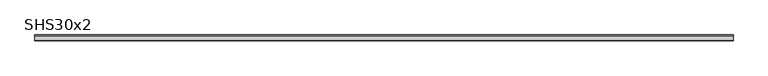
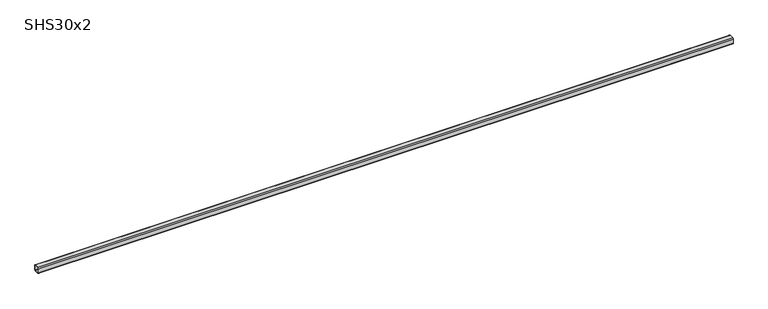
"""IFC4 building model written with IfcOpenShell, lengths in millimetres: beam geometry, SHS30x2."""

from ifc_helpers import new_model, si_unit, point, frame, frame_2d, origin, place, context, project, spatial, polyline, circle_curve, trimmed, segment, composite_curve, outline, extrude, source, transform, mapped, element, save


def shs30x2_d352c56b(model_context):
    return source(origin(), model_context, "Body", "SweptSolid", [
        extrude(outline(composite_curve([segment(polyline([(15.0, 11.0), (15.0, -11.0)]), True, "CONTINUOUS"), segment(trimmed(circle_curve(frame_2d((11.0, -11.0)), 4.0), [point((15.0, -11.0))], [point((11.0, -15.0))], False, "CARTESIAN"), True, "CONTINUOUS"), segment(polyline([(11.0, -15.0), (-11.0, -15.0)]), True, "CONTINUOUS"), segment(trimmed(circle_curve(frame_2d((-11.0, -11.0)), 4.0), [point((-11.0, -15.0))], [point((-15.0, -11.0))], False, "CARTESIAN"), True, "CONTINUOUS"), segment(polyline([(-15.0, -11.0), (-15.0, 11.0)]), True, "CONTINUOUS"), segment(trimmed(circle_curve(frame_2d((-11.0, 11.0)), 4.0), [point((-15.0, 11.0))], [point((-11.0, 15.0))], False, "CARTESIAN"), True, "CONTINUOUS"), segment(polyline([(-11.0, 15.0), (11.0, 15.0)]), True, "CONTINUOUS"), segment(trimmed(circle_curve(frame_2d((11.0, 11.0)), 4.0), [point((11.0, 15.0))], [point((15.0, 11.0))], False, "CARTESIAN"), True, "CONTINUOUS")], self_intersect=False), holes=[composite_curve([segment(trimmed(circle_curve(frame_2d((-11.0, 11.0)), 2.0), [point((-11.0, 13.0))], [point((-13.0, 11.0))], True, "CARTESIAN"), True, "CONTINUOUS"), segment(polyline([(-13.0, 11.0), (-13.0, -11.0)]), True, "CONTINUOUS"), segment(trimmed(circle_curve(frame_2d((-11.0, -11.0)), 2.0), [point((-13.0, -11.0))], [point((-11.0, -13.0))], True, "CARTESIAN"), True, "CONTINUOUS"), segment(polyline([(-11.0, -13.0), (11.0, -13.0)]), True, "CONTINUOUS"), segment(trimmed(circle_curve(frame_2d((11.0, -11.0)), 2.0), [point((11.0, -13.0))], [point((13.0, -11.0))], True, "CARTESIAN"), True, "CONTINUOUS"), segment(polyline([(13.0, -11.0), (13.0, 11.0)]), True, "CONTINUOUS"), segment(trimmed(circle_curve(frame_2d((11.0, 11.0)), 2.0), [point((13.0, 11.0))], [point((11.0, 13.0))], True, "CARTESIAN"), True, "CONTINUOUS"), segment(polyline([(11.0, 13.0), (-11.0, 13.0)]), True, "CONTINUOUS")], self_intersect=False)]), frame((-1773.5, 0.0, 0.0), z_axis=(1.0, 0.0, 0.0), x_axis=(0.0, 1.0, 0.0)), (0.0, 0.0, 1.0), 3444.0),
    ])


if __name__ == "__main__":
    model = new_model("IFC4")
    model_context = context("Model", 3, world=origin())
    ifc_project = project(units=[si_unit("LENGTHUNIT", "METRE", prefix="MILLI")], contexts=[model_context])
    site = spatial("IfcSite", under=ifc_project)
    building = spatial("IfcBuilding", under=site)
    placement = place(None, origin())
    shs30x2_shape = shs30x2_d352c56b(model_context)
    element("IfcBeam", 1, ObjectType="SHS30x2", at=placement, inside=building, context=model_context, shape_type="MappedRepresentation", body=[
        mapped(shs30x2_shape, transform((0.0, 0.0, 0.0), x_axis=(1.0, 0.0, 0.0), y_axis=(0.0, 1.0, 0.0), z_axis=(0.0, 0.0, 1.0))),
    ])
    save(model, "model.ifc")
